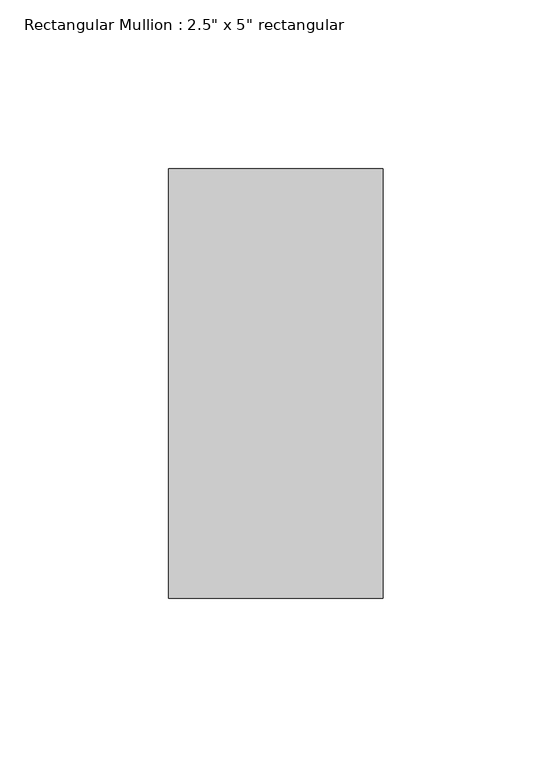
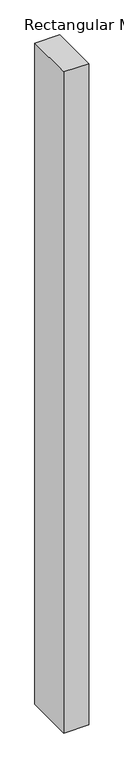
"""IFC4 building model written with IfcOpenShell, lengths in millimetres: member geometry."""

from ifc_helpers import new_model, si_unit, frame, origin, place, context, project, spatial, polyline, outline, extrude, source, transform, mapped, element, save


def member_ef640ea0(model_context):
    return source(origin(), model_context, "Body", "SweptSolid", [
        extrude(outline(polyline([(31.75, 63.5), (31.75, -63.5), (-31.75, -63.5), (-31.75, 63.5), (31.75, 63.5)])), frame((0.0, 0.0, -1775.7446968), z_axis=(0.0, 0.0, 1.0), x_axis=(1.0, 0.0, 0.0)), (0.0, 0.0, 1.0), 1775.7446968),
    ])


if __name__ == "__main__":
    model = new_model("IFC4")
    model_context = context("Model", 3, world=origin())
    ifc_project = project(units=[si_unit("LENGTHUNIT", "METRE", prefix="MILLI")], contexts=[model_context])
    site = spatial("IfcSite", under=ifc_project)
    building = spatial("IfcBuilding", under=site)
    placement = place(None, origin())
    member_shape = member_ef640ea0(model_context)
    element("IfcMember", 1, ObjectType="Rectangular Mullion : 2.5\" x 5\" rectangular", at=placement, inside=building, context=model_context, shape_type="MappedRepresentation", body=[
        mapped(member_shape, transform((0.0, 0.0, 0.0), x_axis=(1.0, 0.0, 0.0), y_axis=(0.0, 1.0, 0.0), z_axis=(0.0, 0.0, 1.0))),
    ])
    save(model, "model.ifc")
